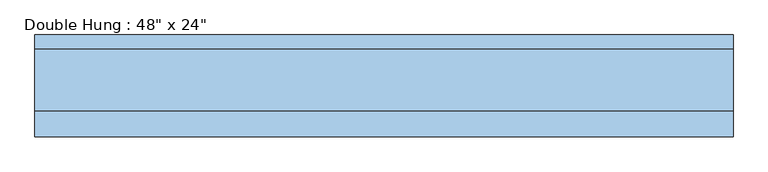
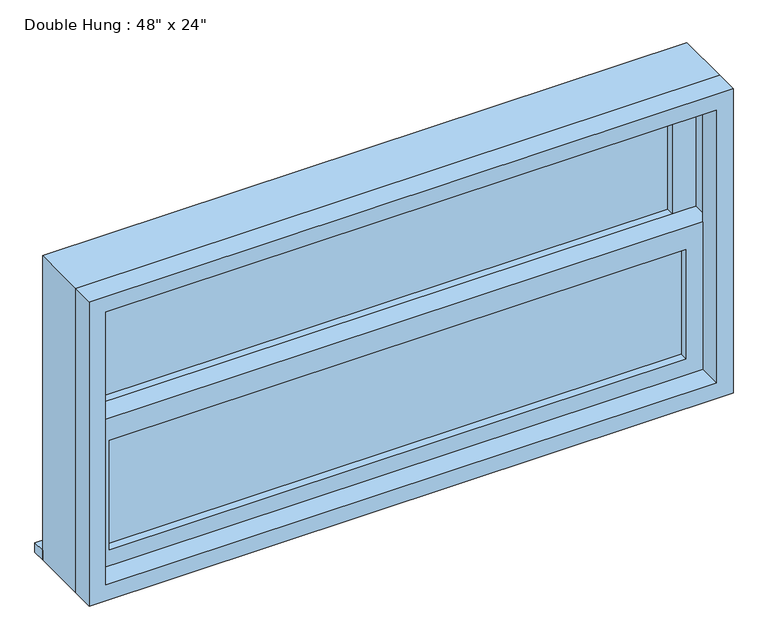
"""IFC4 building model written with IfcOpenShell, lengths in millimetres: window geometry."""

import ifcopenshell
import ifcopenshell.guid

model = None  # the IFC model being written
_history = None  # IfcOwnerHistory: only IFC2X3 demands one
_inside = {}  # id of a spatial element -> (the spatial element, [elements in it])
_under = {}  # id of a project, library or spatial element -> (it, [spatial elements below it])
_declared = {}  # id of a project -> (the project, [libraries it declares])
_typed = {}  # id of a type object -> (the type object, [elements of that type])
_made_of = {}  # id of a material, layer set ... -> (it, [elements and type objects made of it])


def new_model(schema):
    """Start an empty IFC model of exactly this schema.

    Asked for "IFC4X3", IfcOpenShell would pick the latest addendum, in which some entities
    have other attributes; the version numbers below select the first issue.
    IFC2X3 requires an IfcOwnerHistory on every rooted entity: one is made here for all.
    """
    global model, _history
    if schema == "IFC4X3":
        model = ifcopenshell.file(schema_version=(4, 3, 0, 0))
    else:
        model = ifcopenshell.file(schema=schema)
    _inside.clear()
    _under.clear()
    _declared.clear()
    _typed.clear()
    _made_of.clear()
    _history = None
    if model.schema == "IFC2X3":
        org = make("IfcOrganization", Name="unknown")
        user = make(
            "IfcPersonAndOrganization",
            ThePerson=make("IfcPerson", FamilyName="unknown"),
            TheOrganization=org,
        )
        app = make(
            "IfcApplication",
            ApplicationDeveloper=org,
            Version="unknown",
            ApplicationFullName="unknown",
            ApplicationIdentifier="unknown",
        )
        _history = make(
            "IfcOwnerHistory",
            OwningUser=user,
            OwningApplication=app,
            ChangeAction="ADDED",
            CreationDate=0,
        )
    return model


def make(cls, **values):
    """One entity of the class cls with the attributes given. An attribute that is None is left unset."""
    return model.create_entity(
        cls, **{name: value for name, value in values.items() if value is not None}
    )


def rooted(cls, **values):
    """An entity with a GlobalId (a new one), such as an element, a storey or a relation."""
    return make(cls, GlobalId=ifcopenshell.guid.new(), OwnerHistory=_history, **values)


def si_unit(unit_type, name, prefix=None):
    """IfcSIUnit, for example si_unit("LENGTHUNIT", "METRE", prefix="MILLI")."""
    return make("IfcSIUnit", UnitType=unit_type, Prefix=prefix, Name=name)


def assignment(units):
    """IfcUnitAssignment: the units of a project."""
    return None if units is None else make("IfcUnitAssignment", Units=units)


def point(xyz):
    """IfcCartesianPoint."""
    return None if xyz is None else make("IfcCartesianPoint", Coordinates=xyz)


def direction(xyz):
    """IfcDirection."""
    return None if xyz is None else make("IfcDirection", DirectionRatios=xyz)


def frame(location, z_axis=None, x_axis=None):
    """IfcAxis2Placement3D, a coordinate frame: its origin and axes. An axis left out is left unset."""
    return make(
        "IfcAxis2Placement3D",
        Location=point(location),
        Axis=direction(z_axis),
        RefDirection=direction(x_axis),
    )


def origin():
    """The frame at (0, 0, 0) with its axes left unset."""
    return frame((0.0, 0.0, 0.0))


def place(relative_to, where):
    """IfcLocalPlacement: puts the frame where relative to a parent placement (None: the world)."""
    return make(
        "IfcLocalPlacement", PlacementRelTo=relative_to, RelativePlacement=where
    )


def context(
    kind, dimensions, precision=None, world=None, true_north=None, identifier=None
):
    """IfcGeometricRepresentationContext, for example the 3D "Model" context."""
    return make(
        "IfcGeometricRepresentationContext",
        ContextIdentifier=identifier,
        ContextType=kind,
        CoordinateSpaceDimension=dimensions,
        Precision=precision,
        WorldCoordinateSystem=world,
        TrueNorth=true_north,
    )


def project(units=None, contexts=None):
    """IfcProject with its units and contexts."""
    return rooted(
        "IfcProject",
        Name="project",
        RepresentationContexts=contexts,
        UnitsInContext=assignment(units),
    )


def spatial(cls, under=None, at=None, **own):
    """A site, building, storey or space (cls), placed at a placement, below another one or the project."""
    s = rooted(cls, ObjectPlacement=at, **own)
    if under is not None:
        _under.setdefault(under.id(), (under, []))[1].append(s)
    return s


def polyline(points):
    """IfcPolyline through the points."""
    return make("IfcPolyline", Points=[point(p) for p in points])


def outline(outer, holes=None, kind="AREA"):
    """IfcArbitraryClosedProfileDef: a profile drawn as a closed curve; with holes, ...WithVoids."""
    if holes is None:
        return make("IfcArbitraryClosedProfileDef", ProfileType=kind, OuterCurve=outer)
    return make(
        "IfcArbitraryProfileDefWithVoids",
        ProfileType=kind,
        OuterCurve=outer,
        InnerCurves=holes,
    )


def extrude(swept, where, along, depth):
    """IfcExtrudedAreaSolid: the profile swept, set in the frame where, extruded along a direction by depth."""
    return make(
        "IfcExtrudedAreaSolid",
        SweptArea=swept,
        Position=where,
        ExtrudedDirection=direction(along),
        Depth=depth,
    )


def shape(context_of_items, identifier, shape_type, items):
    """IfcShapeRepresentation: the items that make up one representation, for example the "Body"."""
    return make(
        "IfcShapeRepresentation",
        ContextOfItems=context_of_items,
        RepresentationIdentifier=identifier,
        RepresentationType=shape_type,
        Items=items,
    )


def source(mapping_origin, context_of_items, identifier, shape_type, items):
    """IfcRepresentationMap: a shape defined once, which mapped items show again and again."""
    return make(
        "IfcRepresentationMap",
        MappingOrigin=mapping_origin,
        MappedRepresentation=shape(context_of_items, identifier, shape_type, items),
    )


def transform(
    local_origin,
    x_axis=None,
    y_axis=None,
    z_axis=None,
    scale=None,
    scale2=None,
    scale3=None,
    uniform=True,
):
    """IfcCartesianTransformationOperator3D, or its non-uniform kind. x_axis, y_axis, z_axis: its Axis1, 2, 3."""
    if uniform:
        return make(
            "IfcCartesianTransformationOperator3D",
            Axis1=direction(x_axis),
            Axis2=direction(y_axis),
            LocalOrigin=point(local_origin),
            Scale=scale,
            Axis3=direction(z_axis),
        )
    return make(
        "IfcCartesianTransformationOperator3DnonUniform",
        Axis1=direction(x_axis),
        Axis2=direction(y_axis),
        LocalOrigin=point(local_origin),
        Scale=scale,
        Axis3=direction(z_axis),
        Scale2=scale2,
        Scale3=scale3,
    )


def mapped(mapping_source, mapping_target):
    """IfcMappedItem: shows the shape of a source again, moved by a transform."""
    return make(
        "IfcMappedItem", MappingSource=mapping_source, MappingTarget=mapping_target
    )


def made_of(thing, what):
    """Note that an element or type object is made of a material, layer set ...; save() writes the relation."""
    if what is not None:
        _made_of.setdefault(what.id(), (what, []))[1].append(thing)
    return thing


def element(
    cls,
    number,
    at=None,
    inside=None,
    cuts=None,
    type_object=None,
    material=None,
    context=None,
    identifier="Body",
    shape_type=None,
    held_by="IfcProductDefinitionShape",
    body=None,
    shapes=None,
    **own,
):
    """One element of the class cls, such as IfcWall. Its Tag is "e" and its number.

    at: its placement. inside: the storey or other place that contains it. cuts: it is an
    opening in that element (IfcRelVoidsElement). A single representation is given by context,
    identifier, shape_type and body (its items); several are given by shapes. held_by: the class
    of the entity that holds the representations. save() writes the other relations.
    """
    e = rooted(cls, Tag="e%d" % number, ObjectPlacement=at, **own)
    if body is not None:
        shapes = [shape(context, identifier, shape_type, body)]
    if shapes is not None:
        e.Representation = make(held_by, Representations=shapes)
    if inside is not None:
        _inside.setdefault(inside.id(), (inside, []))[1].append(e)
    if cuts is not None:
        rooted(
            "IfcRelVoidsElement", RelatingBuildingElement=cuts, RelatedOpeningElement=e
        )
    if type_object is not None:
        _typed.setdefault(type_object.id(), (type_object, []))[1].append(e)
    return made_of(e, material)


def aggregate(whole, parts):
    """IfcRelAggregates: a whole, such as a stair, and the parts it consists of."""
    return rooted("IfcRelAggregates", RelatingObject=whole, RelatedObjects=parts)


def save(model, path):
    """Write the relations noted so far, then the file.

    IfcRelAggregates (storeys below a building ...), IfcRelContainedInSpatialStructure (elements
    in a storey), IfcRelDefinesByType, IfcRelAssociatesMaterial and IfcRelDeclares: one each for
    every whole, place, type object, material and project.
    """
    for whole, parts in _under.values():
        aggregate(whole, parts)
    for where, things in _inside.values():
        rooted(
            "IfcRelContainedInSpatialStructure",
            RelatedElements=things,
            RelatingStructure=where,
        )
    for kind, things in _typed.values():
        rooted("IfcRelDefinesByType", RelatedObjects=things, RelatingType=kind)
    for what, things in _made_of.values():
        rooted("IfcRelAssociatesMaterial", RelatedObjects=things, RelatingMaterial=what)
    for by, libraries in _declared.values():
        rooted("IfcRelDeclares", RelatingContext=by, RelatedDefinitions=libraries)
    model.write(path)


def window_8ca27a4a(model_context):
    return source(origin(), model_context, "Body", "SweptSolid", [
        extrude(outline(polyline([(-546.1, -3.175), (546.1, -3.175), (546.1, -15.875), (-546.1, -15.875), (-546.1, -3.175)])), frame((0.0, 0.0, 977.9), z_axis=(0.0, 0.0, 1.0), x_axis=(1.0, 0.0, 0.0)), (0.0, 0.0, 1.0), 219.075),
        extrude(outline(polyline([(1241.425, -590.55), (933.45, -590.55), (933.45, 590.55), (1241.425, 590.55), (1241.425, -590.55)]), holes=[polyline([(1196.975, -546.1), (1196.975, 546.1), (977.9, 546.1), (977.9, -546.1), (1196.975, -546.1)])]), frame((0.0, -31.75, 0.0), z_axis=(0.0, 1.0, 0.0), x_axis=(0.0, 0.0, 1.0)), (0.0, 0.0, 1.0), 44.45),
        extrude(outline(polyline([(-609.6, 101.6), (609.6, 101.6), (609.6, 76.2), (-609.6, 76.2), (-609.6, 101.6)])), frame((0.0, 0.0, 914.4), z_axis=(0.0, 0.0, 1.0), x_axis=(1.0, 0.0, 0.0)), (0.0, 0.0, 1.0), 19.05),
        extrude(outline(polyline([(546.1, 28.575), (-546.1, 28.575), (-546.1, 41.275), (546.1, 41.275), (546.1, 28.575)])), frame((0.0, 0.0, 1241.425), z_axis=(0.0, 0.0, 1.0), x_axis=(1.0, 0.0, 0.0)), (0.0, 0.0, 1.0), 219.075),
        extrude(outline(polyline([(1504.95, -590.55), (1196.975, -590.55), (1196.975, 590.55), (1504.95, 590.55), (1504.95, -590.55)]), holes=[polyline([(1460.5, -546.1), (1460.5, 546.1), (1241.425, 546.1), (1241.425, -546.1), (1460.5, -546.1)])]), frame((0.0, 12.7, 0.0), z_axis=(0.0, 1.0, 0.0), x_axis=(0.0, 0.0, 1.0)), (0.0, 0.0, 1.0), 44.45),
        extrude(outline(polyline([(1524.0, -609.6), (914.4, -609.6), (914.4, 609.6), (1524.0, 609.6), (1524.0, -609.6)]), holes=[polyline([(1492.25, -577.85), (1492.25, 577.85), (946.15, 577.85), (946.15, -577.85), (1492.25, -577.85)])]), frame((0.0, -76.2, 0.0), z_axis=(0.0, 1.0, 0.0), x_axis=(0.0, 0.0, 1.0)), (0.0, 0.0, 1.0), 44.45),
        extrude(outline(polyline([(1524.0, 609.6), (1524.0, -609.6), (914.4, -609.6), (914.4, 609.6), (1524.0, 609.6)]), holes=[polyline([(1504.95, 590.55), (933.45, 590.55), (933.45, -590.55), (1504.95, -590.55), (1504.95, 590.55)])]), frame((0.0, -31.75, 0.0), z_axis=(0.0, 1.0, 0.0), x_axis=(0.0, 0.0, 1.0)), (0.0, 0.0, 1.0), 107.95),
    ])


if __name__ == "__main__":
    model = new_model("IFC4")
    model_context = context("Model", 3, world=origin())
    ifc_project = project(units=[si_unit("LENGTHUNIT", "METRE", prefix="MILLI")], contexts=[model_context])
    site = spatial("IfcSite", under=ifc_project)
    building = spatial("IfcBuilding", under=site)
    placement = place(None, origin())
    window_shape = window_8ca27a4a(model_context)
    element("IfcWindow", 1, ObjectType="Double Hung : 48\" x 24\"", at=placement, inside=building, context=model_context, shape_type="MappedRepresentation", body=[
        mapped(window_shape, transform((0.0, 0.0, 0.0), x_axis=(1.0, 0.0, 0.0), y_axis=(0.0, 1.0, 0.0), z_axis=(0.0, 0.0, 1.0))),
    ])
    save(model, "model.ifc")
